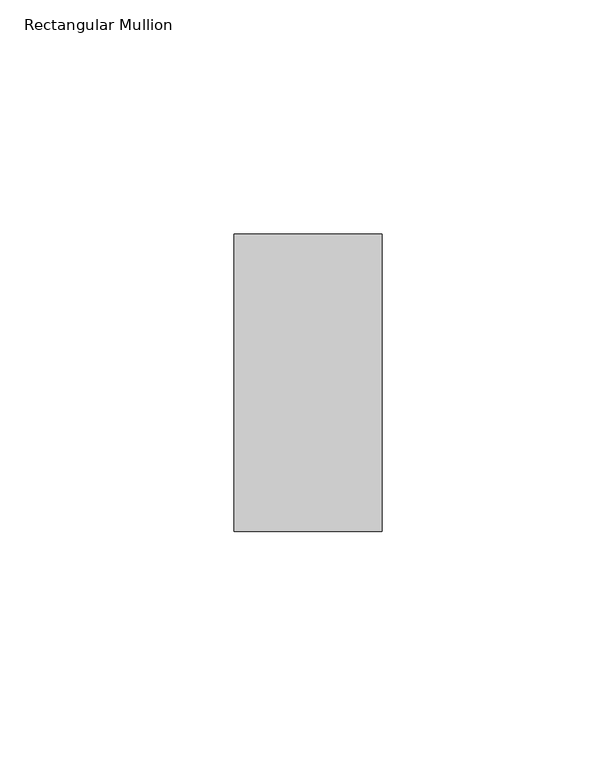
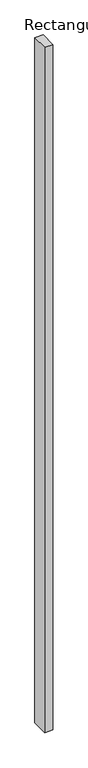
"""IFC4 building model written with IfcOpenShell, lengths in millimetres: member geometry, Rectangular Mullion."""

import ifcopenshell
import ifcopenshell.guid

model = None  # the IFC model being written
_history = None  # IfcOwnerHistory: only IFC2X3 demands one
_inside = {}  # id of a spatial element -> (the spatial element, [elements in it])
_under = {}  # id of a project, library or spatial element -> (it, [spatial elements below it])
_declared = {}  # id of a project -> (the project, [libraries it declares])
_typed = {}  # id of a type object -> (the type object, [elements of that type])
_made_of = {}  # id of a material, layer set ... -> (it, [elements and type objects made of it])


def new_model(schema):
    """Start an empty IFC model of exactly this schema.

    Asked for "IFC4X3", IfcOpenShell would pick the latest addendum, in which some entities
    have other attributes; the version numbers below select the first issue.
    IFC2X3 requires an IfcOwnerHistory on every rooted entity: one is made here for all.
    """
    global model, _history
    if schema == "IFC4X3":
        model = ifcopenshell.file(schema_version=(4, 3, 0, 0))
    else:
        model = ifcopenshell.file(schema=schema)
    _inside.clear()
    _under.clear()
    _declared.clear()
    _typed.clear()
    _made_of.clear()
    _history = None
    if model.schema == "IFC2X3":
        org = make("IfcOrganization", Name="unknown")
        user = make(
            "IfcPersonAndOrganization",
            ThePerson=make("IfcPerson", FamilyName="unknown"),
            TheOrganization=org,
        )
        app = make(
            "IfcApplication",
            ApplicationDeveloper=org,
            Version="unknown",
            ApplicationFullName="unknown",
            ApplicationIdentifier="unknown",
        )
        _history = make(
            "IfcOwnerHistory",
            OwningUser=user,
            OwningApplication=app,
            ChangeAction="ADDED",
            CreationDate=0,
        )
    return model


def make(cls, **values):
    """One entity of the class cls with the attributes given. An attribute that is None is left unset."""
    return model.create_entity(
        cls, **{name: value for name, value in values.items() if value is not None}
    )


def rooted(cls, **values):
    """An entity with a GlobalId (a new one), such as an element, a storey or a relation."""
    return make(cls, GlobalId=ifcopenshell.guid.new(), OwnerHistory=_history, **values)


def si_unit(unit_type, name, prefix=None):
    """IfcSIUnit, for example si_unit("LENGTHUNIT", "METRE", prefix="MILLI")."""
    return make("IfcSIUnit", UnitType=unit_type, Prefix=prefix, Name=name)


def assignment(units):
    """IfcUnitAssignment: the units of a project."""
    return None if units is None else make("IfcUnitAssignment", Units=units)


def point(xyz):
    """IfcCartesianPoint."""
    return None if xyz is None else make("IfcCartesianPoint", Coordinates=xyz)


def direction(xyz):
    """IfcDirection."""
    return None if xyz is None else make("IfcDirection", DirectionRatios=xyz)


def frame(location, z_axis=None, x_axis=None):
    """IfcAxis2Placement3D, a coordinate frame: its origin and axes. An axis left out is left unset."""
    return make(
        "IfcAxis2Placement3D",
        Location=point(location),
        Axis=direction(z_axis),
        RefDirection=direction(x_axis),
    )


def origin():
    """The frame at (0, 0, 0) with its axes left unset."""
    return frame((0.0, 0.0, 0.0))


def place(relative_to, where):
    """IfcLocalPlacement: puts the frame where relative to a parent placement (None: the world)."""
    return make(
        "IfcLocalPlacement", PlacementRelTo=relative_to, RelativePlacement=where
    )


def context(
    kind, dimensions, precision=None, world=None, true_north=None, identifier=None
):
    """IfcGeometricRepresentationContext, for example the 3D "Model" context."""
    return make(
        "IfcGeometricRepresentationContext",
        ContextIdentifier=identifier,
        ContextType=kind,
        CoordinateSpaceDimension=dimensions,
        Precision=precision,
        WorldCoordinateSystem=world,
        TrueNorth=true_north,
    )


def project(units=None, contexts=None):
    """IfcProject with its units and contexts."""
    return rooted(
        "IfcProject",
        Name="project",
        RepresentationContexts=contexts,
        UnitsInContext=assignment(units),
    )


def spatial(cls, under=None, at=None, **own):
    """A site, building, storey or space (cls), placed at a placement, below another one or the project."""
    s = rooted(cls, ObjectPlacement=at, **own)
    if under is not None:
        _under.setdefault(under.id(), (under, []))[1].append(s)
    return s


def polyline(points):
    """IfcPolyline through the points."""
    return make("IfcPolyline", Points=[point(p) for p in points])


def outline(outer, holes=None, kind="AREA"):
    """IfcArbitraryClosedProfileDef: a profile drawn as a closed curve; with holes, ...WithVoids."""
    if holes is None:
        return make("IfcArbitraryClosedProfileDef", ProfileType=kind, OuterCurve=outer)
    return make(
        "IfcArbitraryProfileDefWithVoids",
        ProfileType=kind,
        OuterCurve=outer,
        InnerCurves=holes,
    )


def extrude(swept, where, along, depth):
    """IfcExtrudedAreaSolid: the profile swept, set in the frame where, extruded along a direction by depth."""
    return make(
        "IfcExtrudedAreaSolid",
        SweptArea=swept,
        Position=where,
        ExtrudedDirection=direction(along),
        Depth=depth,
    )


def shape(context_of_items, identifier, shape_type, items):
    """IfcShapeRepresentation: the items that make up one representation, for example the "Body"."""
    return make(
        "IfcShapeRepresentation",
        ContextOfItems=context_of_items,
        RepresentationIdentifier=identifier,
        RepresentationType=shape_type,
        Items=items,
    )


def source(mapping_origin, context_of_items, identifier, shape_type, items):
    """IfcRepresentationMap: a shape defined once, which mapped items show again and again."""
    return make(
        "IfcRepresentationMap",
        MappingOrigin=mapping_origin,
        MappedRepresentation=shape(context_of_items, identifier, shape_type, items),
    )


def transform(
    local_origin,
    x_axis=None,
    y_axis=None,
    z_axis=None,
    scale=None,
    scale2=None,
    scale3=None,
    uniform=True,
):
    """IfcCartesianTransformationOperator3D, or its non-uniform kind. x_axis, y_axis, z_axis: its Axis1, 2, 3."""
    if uniform:
        return make(
            "IfcCartesianTransformationOperator3D",
            Axis1=direction(x_axis),
            Axis2=direction(y_axis),
            LocalOrigin=point(local_origin),
            Scale=scale,
            Axis3=direction(z_axis),
        )
    return make(
        "IfcCartesianTransformationOperator3DnonUniform",
        Axis1=direction(x_axis),
        Axis2=direction(y_axis),
        LocalOrigin=point(local_origin),
        Scale=scale,
        Axis3=direction(z_axis),
        Scale2=scale2,
        Scale3=scale3,
    )


def mapped(mapping_source, mapping_target):
    """IfcMappedItem: shows the shape of a source again, moved by a transform."""
    return make(
        "IfcMappedItem", MappingSource=mapping_source, MappingTarget=mapping_target
    )


def made_of(thing, what):
    """Note that an element or type object is made of a material, layer set ...; save() writes the relation."""
    if what is not None:
        _made_of.setdefault(what.id(), (what, []))[1].append(thing)
    return thing


def element(
    cls,
    number,
    at=None,
    inside=None,
    cuts=None,
    type_object=None,
    material=None,
    context=None,
    identifier="Body",
    shape_type=None,
    held_by="IfcProductDefinitionShape",
    body=None,
    shapes=None,
    **own,
):
    """One element of the class cls, such as IfcWall. Its Tag is "e" and its number.

    at: its placement. inside: the storey or other place that contains it. cuts: it is an
    opening in that element (IfcRelVoidsElement). A single representation is given by context,
    identifier, shape_type and body (its items); several are given by shapes. held_by: the class
    of the entity that holds the representations. save() writes the other relations.
    """
    e = rooted(cls, Tag="e%d" % number, ObjectPlacement=at, **own)
    if body is not None:
        shapes = [shape(context, identifier, shape_type, body)]
    if shapes is not None:
        e.Representation = make(held_by, Representations=shapes)
    if inside is not None:
        _inside.setdefault(inside.id(), (inside, []))[1].append(e)
    if cuts is not None:
        rooted(
            "IfcRelVoidsElement", RelatingBuildingElement=cuts, RelatedOpeningElement=e
        )
    if type_object is not None:
        _typed.setdefault(type_object.id(), (type_object, []))[1].append(e)
    return made_of(e, material)


def aggregate(whole, parts):
    """IfcRelAggregates: a whole, such as a stair, and the parts it consists of."""
    return rooted("IfcRelAggregates", RelatingObject=whole, RelatedObjects=parts)


def save(model, path):
    """Write the relations noted so far, then the file.

    IfcRelAggregates (storeys below a building ...), IfcRelContainedInSpatialStructure (elements
    in a storey), IfcRelDefinesByType, IfcRelAssociatesMaterial and IfcRelDeclares: one each for
    every whole, place, type object, material and project.
    """
    for whole, parts in _under.values():
        aggregate(whole, parts)
    for where, things in _inside.values():
        rooted(
            "IfcRelContainedInSpatialStructure",
            RelatedElements=things,
            RelatingStructure=where,
        )
    for kind, things in _typed.values():
        rooted("IfcRelDefinesByType", RelatedObjects=things, RelatingType=kind)
    for what, things in _made_of.values():
        rooted("IfcRelAssociatesMaterial", RelatedObjects=things, RelatingMaterial=what)
    for by, libraries in _declared.values():
        rooted("IfcRelDeclares", RelatingContext=by, RelatedDefinitions=libraries)
    model.write(path)


def rectangular_mullion_60d456ae(model_context):
    return source(origin(), model_context, "Body", "SweptSolid", [
        extrude(outline(polyline([(0.0, -31.7489583), (-31.623, -31.7489583), (-31.623, 31.7489583), (0.0, 31.7489583), (0.0, -31.7489583)])), frame((0.0, 0.0, -2743.2), z_axis=(0.0, 0.0, 1.0), x_axis=(1.0, 0.0, 0.0)), (0.0, 0.0, 1.0), 2743.2),
    ])


if __name__ == "__main__":
    model = new_model("IFC4")
    model_context = context("Model", 3, world=origin())
    ifc_project = project(units=[si_unit("LENGTHUNIT", "METRE", prefix="MILLI")], contexts=[model_context])
    site = spatial("IfcSite", under=ifc_project)
    building = spatial("IfcBuilding", under=site)
    placement = place(None, origin())
    rectangular_mullion_shape = rectangular_mullion_60d456ae(model_context)
    element("IfcMember", 1, ObjectType="Rectangular Mullion", at=placement, inside=building, context=model_context, shape_type="MappedRepresentation", body=[
        mapped(rectangular_mullion_shape, transform((0.0, 0.0, 0.0), x_axis=(1.0, 0.0, 0.0), y_axis=(0.0, 1.0, 0.0), z_axis=(0.0, 0.0, 1.0))),
    ])
    save(model, "model.ifc")
